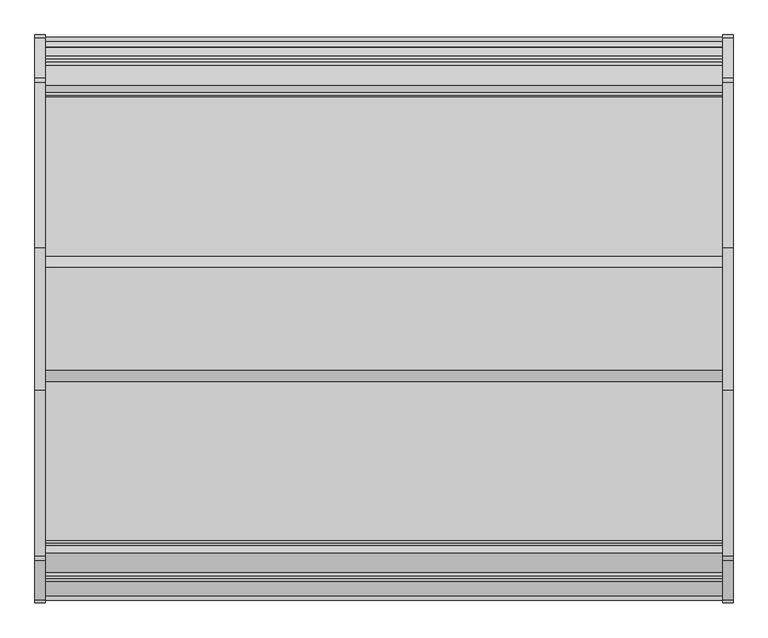
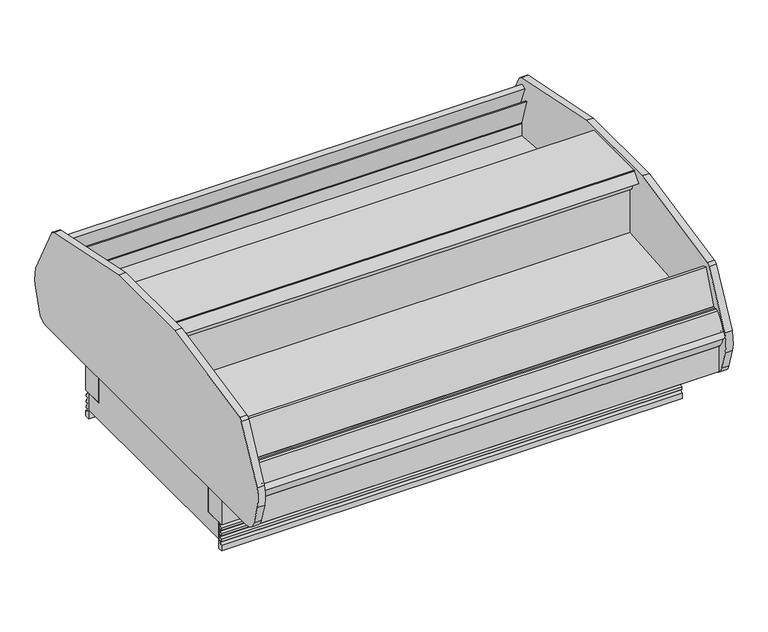
"""IFC4 building model written with IfcOpenShell, lengths in millimetres: proxy geometry."""

from ifc_helpers import new_model, si_unit, point, frame, frame_2d, origin, origin_with_axes, place, context, project, spatial, polyline, circle_curve, trimmed, segment, composite_curve, outline, extrude, source, transform, mapped, element, save
from ifc_brep_helpers import plane_surface, revolved_surface, advanced_brep


def mechanical_equipment_6bf3019b(model_context):
    return source(origin(), model_context, "Body", "SolidModel", [
        extrude(outline(polyline([(1602.1235789, -1515.8196273), (1906.9235789, -1515.8196273), (1906.9235789, -1617.4196273), (1602.1235789, -1617.4196273), (1602.1235789, -1515.8196273)])), frame((0.0, 0.0, 58.3052917), z_axis=(0.0, 0.0, 1.0), x_axis=(1.0, 0.0, 0.0)), (0.0, 0.0, 1.0), 53.975),
        extrude(outline(composite_curve([segment(trimmed(circle_curve(frame_2d((-2276.1892257, 412.2916432)), 76.2037445), [point((-2276.1892257, 336.0878988))], [point((-2349.2015257, 390.4692988))], False, "CARTESIAN"), True, "CONTINUOUS"), segment(polyline([(-2349.2015257, 390.4692988), (-2380.5197257, 495.2524406)]), True, "CONTINUOUS"), segment(trimmed(circle_curve(frame_2d((-2210.2113509, 546.1552065)), 177.752733), [point((-2380.5197257, 495.2524406))], [point((-2377.9400002, 605.0036076))], False, "CARTESIAN"), True, "CONTINUOUS"), segment(polyline([(-2377.9400002, 605.0036076), (-2233.3706355, 888.7369615)]), True, "CONTINUOUS"), segment(trimmed(circle_curve(frame_2d((-2210.7390698, 877.2056028)), 25.4), [point((-2233.3706355, 888.7369615))], [point((-2216.5899367, 901.9225476))], False, "CARTESIAN"), True, "CONTINUOUS"), segment(polyline([(-2216.5899367, 901.9225476), (-1620.0111062, 1025.4446887), (-1107.0438942, 1025.4446887), (-510.4650637, 901.9225476)]), True, "CONTINUOUS"), segment(trimmed(circle_curve(frame_2d((-516.3159306, 877.2056028)), 25.4), [point((-510.4650637, 901.9225476))], [point((-493.6843649, 888.7369615))], False, "CARTESIAN"), True, "CONTINUOUS"), segment(polyline([(-493.6843649, 888.7369615), (-349.1150002, 605.0036076)]), True, "CONTINUOUS"), segment(trimmed(circle_curve(frame_2d((-516.8436494, 546.1552065)), 177.752733), [point((-349.1150002, 605.0036076))], [point((-346.5352747, 495.2524406))], False, "CARTESIAN"), True, "CONTINUOUS"), segment(polyline([(-346.5352747, 495.2524406), (-377.8534747, 390.4692988)]), True, "CONTINUOUS"), segment(trimmed(circle_curve(frame_2d((-450.8657747, 412.2916432)), 76.2037445), [point((-377.8534747, 390.4692988))], [point((-450.8657747, 336.0878988))], False, "CARTESIAN"), True, "CONTINUOUS"), segment(polyline([(-450.8657747, 336.0878988), (-2276.1892257, 336.0878988)]), True, "CONTINUOUS")], self_intersect=False)), frame((2438.4, 0.0, 0.0), z_axis=(1.0, 0.0, 0.0), x_axis=(0.0, 1.0, 0.0)), (0.0, 0.0, 1.0), 38.1),
        extrude(outline(composite_curve([segment(trimmed(circle_curve(frame_2d((-2276.1892257, 412.2916432)), 76.2037445), [point((-2276.1892257, 336.0878988))], [point((-2349.2015257, 390.4692988))], False, "CARTESIAN"), True, "CONTINUOUS"), segment(polyline([(-2349.2015257, 390.4692988), (-2380.5197257, 495.2524406)]), True, "CONTINUOUS"), segment(trimmed(circle_curve(frame_2d((-2210.2113509, 546.1552065)), 177.752733), [point((-2380.5197257, 495.2524406))], [point((-2377.9400002, 605.0036076))], False, "CARTESIAN"), True, "CONTINUOUS"), segment(polyline([(-2377.9400002, 605.0036076), (-2233.3706355, 888.7369615)]), True, "CONTINUOUS"), segment(trimmed(circle_curve(frame_2d((-2210.7390698, 877.2056028)), 25.4), [point((-2233.3706355, 888.7369615))], [point((-2216.5899367, 901.9225476))], False, "CARTESIAN"), True, "CONTINUOUS"), segment(polyline([(-2216.5899367, 901.9225476), (-1620.0111062, 1025.4446887), (-1107.0438942, 1025.4446887), (-510.4650637, 901.9225476)]), True, "CONTINUOUS"), segment(trimmed(circle_curve(frame_2d((-516.3159306, 877.2056028)), 25.4), [point((-510.4650637, 901.9225476))], [point((-493.6843649, 888.7369615))], False, "CARTESIAN"), True, "CONTINUOUS"), segment(polyline([(-493.6843649, 888.7369615), (-349.1150002, 605.0036076)]), True, "CONTINUOUS"), segment(trimmed(circle_curve(frame_2d((-516.8436494, 546.1552065)), 177.752733), [point((-349.1150002, 605.0036076))], [point((-346.5352747, 495.2524406))], False, "CARTESIAN"), True, "CONTINUOUS"), segment(polyline([(-346.5352747, 495.2524406), (-377.8534747, 390.4692988)]), True, "CONTINUOUS"), segment(trimmed(circle_curve(frame_2d((-450.8657747, 412.2916432)), 76.2037445), [point((-377.8534747, 390.4692988))], [point((-450.8657747, 336.0878988))], False, "CARTESIAN"), True, "CONTINUOUS"), segment(polyline([(-450.8657747, 336.0878988), (-2276.1892257, 336.0878988)]), True, "CONTINUOUS")], self_intersect=False)), frame((-38.1, 0.0, 0.0), z_axis=(1.0, 0.0, 0.0), x_axis=(0.0, 1.0, 0.0)), (0.0, 0.0, 1.0), 38.1),
        extrude(outline(composite_curve([segment(trimmed(circle_curve(frame_2d((312.4729347, -837.9571273)), 11.1125), [point((301.3604347, -837.9571273))], [point((323.5854347, -837.9571273))], False, "CARTESIAN"), True, "CONTINUOUS"), segment(trimmed(circle_curve(frame_2d((312.4729347, -837.9571273)), 11.1125), [point((323.5854347, -837.9571273))], [point((301.3604347, -837.9571273))], False, "CARTESIAN"), True, "CONTINUOUS")], self_intersect=False)), origin_with_axes(), (0.0, 0.0, 1.0), 146.05),
        extrude(outline(composite_curve([segment(trimmed(circle_curve(frame_2d((339.3446603, -837.9571273)), 4.7625), [point((334.5821603, -837.9571273))], [point((344.1071603, -837.9571273))], False, "CARTESIAN"), True, "CONTINUOUS"), segment(trimmed(circle_curve(frame_2d((339.3446603, -837.9571273)), 4.7625), [point((344.1071603, -837.9571273))], [point((334.5821603, -837.9571273))], False, "CARTESIAN"), True, "CONTINUOUS")], self_intersect=False)), origin_with_axes(), (0.0, 0.0, 1.0), 146.05),
        extrude(outline(polyline([(-739.722628, 146.05), (-861.4335484, 146.05), (-861.4335484, 374.65), (-757.629628, 374.65), (-757.629628, 354.3983804), (-739.722628, 354.3983804), (-739.722628, 146.05)])), frame((0.0, 0.0, 0.0), z_axis=(1.0, 0.0, 0.0), x_axis=(0.0, 1.0, 0.0)), (0.0, 0.0, 1.0), 2438.4),
        extrude(outline(composite_curve([segment(trimmed(circle_curve(frame_2d((-742.1278958, 42.4953422)), 11.0666223), [point((-753.1044514, 41.0863151))], [point((-741.0741485, 31.4790022))], True, "CARTESIAN"), True, "CONTINUOUS"), segment(polyline([(-741.0741485, 31.4790022), (-741.0741485, 0.0), (-766.7018052, 0.0), (-766.7018052, 146.05), (-756.5935485, 146.05), (-756.5935485, 137.4381186)]), True, "CONTINUOUS"), segment(trimmed(circle_curve(frame_2d((-743.8935485, 137.4381186)), 12.7), [point((-756.5935485, 137.4381186))], [point((-743.9624532, 124.7383055))], True, "CARTESIAN"), True, "CONTINUOUS"), segment(polyline([(-743.9624532, 124.7383055), (-743.9624532, 112.0383055), (-745.9563532, 112.0383055), (-756.5935485, 114.0694894), (-753.1044514, 103.0306813)]), True, "CONTINUOUS"), segment(trimmed(circle_curve(frame_2d((-740.7706142, 106.0582975)), 12.7), [point((-753.1044514, 103.0306813))], [point((-743.9624532, 93.7659355))], True, "CARTESIAN"), True, "CONTINUOUS"), segment(polyline([(-743.9624532, 93.7659355), (-743.9624532, 81.0659355), (-745.9563532, 81.0659355), (-756.5935485, 83.2237583), (-753.1044514, 72.0584982)]), True, "CONTINUOUS"), segment(trimmed(circle_curve(frame_2d((-740.7706142, 75.0861144)), 12.7), [point((-753.1044514, 72.0584982))], [point((-743.9624532, 62.7937524))], True, "CARTESIAN"), True, "CONTINUOUS"), segment(polyline([(-743.9624532, 62.7937524), (-743.9624532, 50.0937524), (-745.9563532, 50.0937524), (-756.5935485, 52.2515752), (-753.1044514, 41.0863151)]), True, "CONTINUOUS")], self_intersect=False)), frame((0.0, 0.0, 0.0), z_axis=(1.0, 0.0, 0.0), x_axis=(0.0, 1.0, 0.0)), (0.0, 0.0, 1.0), 2438.4),
        extrude(outline(polyline([(-1218.9698273, 899.0596126), (-1218.9698273, 1009.3885914), (-1179.2619993, 1009.3885914), (-1138.186305, 963.7694113), (-1177.523334, 963.7694113), (-1200.9983962, 893.0906294), (-1218.9698273, 899.0596126)])), frame((0.0, 0.0, 0.0), z_axis=(1.0, 0.0, 0.0), x_axis=(0.0, 1.0, 0.0)), (0.0, 0.0, 1.0), 2438.4),
        extrude(outline(polyline([(-653.9219725, 374.65), (-824.9422387, 374.65), (-824.9422387, 440.5122096), (-633.6750302, 447.5334174), (-470.9591193, 561.4683528), (-470.9591193, 650.3352408), (-432.6178193, 650.3352408), (-432.6178193, 529.925931), (-653.9219725, 374.65)])), frame((0.0, 0.0, 0.0), z_axis=(1.0, 0.0, 0.0), x_axis=(0.0, 1.0, 0.0)), (0.0, 0.0, 1.0), 2438.4),
        extrude(outline(polyline([(-400.7279842, 359.085718), (-415.4599842, 359.085718), (-415.4599842, 395.026718), (-420.1796936, 421.79352), (-420.1796936, 502.405218), (-400.7279842, 502.405218), (-400.7279842, 359.085718)])), frame((0.0, 0.0, 0.0), z_axis=(1.0, 0.0, 0.0), x_axis=(0.0, 1.0, 0.0)), (0.0, 0.0, 1.0), 2438.4),
        extrude(outline(polyline([(-545.602582, 861.5557008), (-520.5942988, 871.4067245), (-449.5138519, 690.9584783), (-449.5138519, 649.6873876), (-516.6634304, 649.6873876), (-516.0702741, 654.252772), (-562.7519326, 799.3299339), (-556.6970273, 801.2432088), (-510.0153687, 656.1660469), (-509.6755397, 652.4421919), (-485.2560109, 652.4421919), (-466.2867179, 659.9033799), (-545.602582, 861.5557008)])), frame((0.0, 0.0, 0.0), z_axis=(1.0, 0.0, 0.0), x_axis=(0.0, 1.0, 0.0)), (0.0, 0.0, 1.0), 2438.4),
        extrude(outline(composite_curve([segment(trimmed(circle_curve(frame_2d((-366.3246731, 584.7675726)), 17.49504), [point((-365.6059435, 602.247843))], [point((-364.7243169, 567.3458826))], False, "CARTESIAN"), True, "CONTINUOUS"), segment(trimmed(circle_curve(frame_2d((-366.2319692, 584.7699144)), 17.4891366), [point((-364.7243169, 567.3458826))], [point((-365.6059435, 602.247843))], False, "CARTESIAN"), True, "CONTINUOUS")], self_intersect=False)), frame((0.0, 0.0, 0.0), z_axis=(1.0, 0.0, 0.0), x_axis=(0.0, 1.0, 0.0)), (0.0, 0.0, 1.0), 2438.4),
        extrude(outline(composite_curve([segment(trimmed(circle_curve(frame_2d((-398.5689842, 508.755218)), 6.35), [point((-393.8076588, 504.5537563))], [point((-398.5689842, 502.405218))], False, "CARTESIAN"), True, "CONTINUOUS"), segment(polyline([(-398.5689842, 502.405218), (-471.8412073, 502.405218), (-432.6178193, 529.925931), (-432.6178193, 650.3352408), (-449.5138519, 650.3352408), (-449.5138519, 690.9426532), (-435.3989842, 691.305018), (-425.8739842, 691.305018)]), True, "CONTINUOUS"), segment(trimmed(circle_curve(frame_2d((-425.8739842, 675.430018)), 15.875), [point((-425.8739842, 691.305018))], [point((-415.0875615, 687.0777092))], False, "CARTESIAN"), True, "CONTINUOUS"), segment(trimmed(circle_curve(frame_2d((-535.8954959, 556.623568)), 177.7999999), [point((-415.0875615, 687.0777092))], [point((-364.0144137, 602.1178925))], False, "CARTESIAN"), True, "CONTINUOUS"), segment(trimmed(circle_curve(frame_2d((-366.2319692, 584.7699144)), 17.4891366), [point((-364.0144137, 602.1178925))], [point((-363.8047866, 567.4500216))], True, "CARTESIAN"), True, "CONTINUOUS"), segment(trimmed(circle_curve(frame_2d((-489.0341667, 588.5829906)), 127.0), [point((-363.8047866, 567.4500216))], [point((-393.8076588, 504.5537563))], False, "CARTESIAN"), True, "CONTINUOUS")], self_intersect=False)), frame((0.0, 0.0, 0.0), z_axis=(1.0, 0.0, 0.0), x_axis=(0.0, 1.0, 0.0)), (0.0, 0.0, 1.0), 2438.4),
        extrude(outline(polyline([(-471.4114734, 502.405218), (-420.1796936, 502.405218), (-420.1796936, 418.2976265), (-545.36871, 450.5138342), (-471.4114734, 502.405218)])), frame((0.0, 0.0, 0.0), z_axis=(1.0, 0.0, 0.0), x_axis=(0.0, 1.0, 0.0)), (0.0, 0.0, 1.0), 2422.9804393),
        extrude(outline(polyline([(-1218.9698273, 640.7061243), (-516.6791193, 581.214329), (-516.6791193, 649.6873876), (-470.9591193, 649.6873876), (-470.9591193, 561.4683498), (-633.8072483, 447.4408623), (-931.9780348, 436.6485806), (-947.058802, 422.3615379), (-962.1407078, 436.6496591), (-1218.9698273, 449.6617126), (-1218.9698273, 640.7061243)])), frame((0.0, 0.0, 0.0), z_axis=(1.0, 0.0, 0.0), x_axis=(0.0, 1.0, 0.0)), (0.0, 0.0, 1.0), 2438.4),
        extrude(outline(polyline([(-2326.1112704, 359.085718), (-2326.1112704, 502.405218), (-2306.659561, 502.405218), (-2306.659561, 421.79352), (-2311.3792704, 395.026718), (-2311.3792704, 359.085718), (-2326.1112704, 359.085718)])), frame((0.0, 0.0, 0.0), z_axis=(1.0, 0.0, 0.0), x_axis=(0.0, 1.0, 0.0)), (0.0, 0.0, 1.0), 2438.4),
        extrude(outline(composite_curve([segment(trimmed(circle_curve(frame_2d((1219.2, -1363.4196273)), 19.05), [point((1200.15, -1363.4196273))], [point((1238.25, -1363.4196273))], False, "CARTESIAN"), True, "CONTINUOUS"), segment(trimmed(circle_curve(frame_2d((1219.2, -1363.4196273)), 19.05), [point((1238.25, -1363.4196273))], [point((1200.15, -1363.4196273))], False, "CARTESIAN"), True, "CONTINUOUS")], self_intersect=False)), origin_with_axes(), (0.0, 0.0, 1.0), 127.0),
        extrude(outline(polyline([(-1987.1166266, 146.05), (-1987.1166266, 354.3983804), (-1969.2096266, 354.3983804), (-1969.2096266, 374.65), (-1865.4057062, 374.65), (-1865.4057062, 146.05), (-1987.1166266, 146.05)])), frame((0.0, 0.0, 0.0), z_axis=(1.0, 0.0, 0.0), x_axis=(0.0, 1.0, 0.0)), (0.0, 0.0, 1.0), 2438.4),
        advanced_brep(
        [(2438.4, -1507.8694273, 561.4683528), (2438.4, -1507.8694273, 449.6617126), (2438.4, -1764.6985468, 436.6496591), (2438.4, -1779.7804526, 422.3615379), (2438.4, -1794.8612198, 436.6485806), (2438.4, -1901.8970159, 440.5227377), (2438.4, -1901.8970159, 374.65), (2438.4, -1865.4057062, 374.65), (2438.4, -1865.4057062, 146.05), (2438.4, -1960.1374494, 146.05), (2438.4, -1960.1374494, 50.8), (2438.4, -766.7018052, 50.8), (2438.4, -766.7018052, 146.05), (2438.4, -861.4335484, 146.05), (2438.4, -861.4335484, 374.65), (2438.4, -824.9422387, 374.65), (2438.4, -824.9422387, 440.5227377), (2438.4, -931.9780348, 436.6485806), (2438.4, -947.058802, 422.3615379), (2438.4, -962.1407078, 436.6496591), (2438.4, -1218.9698273, 449.6617126), (2438.4, -1218.9698273, 561.4683528), (0.0, -1507.8694273, 561.4683528), (0.0, -1218.9698273, 561.4683528), (0.0, -1218.9698273, 449.6617126), (0.0, -962.1407078, 436.6496591), (0.0, -947.058802, 422.3615379), (0.0, -931.9780348, 436.6485806), (0.0, -824.9422387, 440.5227377), (0.0, -824.9422387, 374.65), (0.0, -861.4335484, 374.65), (0.0, -861.4335484, 146.05), (0.0, -766.7018052, 146.05), (0.0, -766.7018052, 50.8), (0.0, -1960.1374494, 50.8), (0.0, -1960.1374494, 146.05), (0.0, -1865.4057062, 146.05), (0.0, -1865.4057062, 374.65), (0.0, -1901.8970159, 374.65), (0.0, -1901.8970159, 440.5227377), (0.0, -1794.8612198, 436.6485806), (0.0, -1779.7804526, 422.3615379), (0.0, -1764.6985468, 436.6496591), (0.0, -1507.8694273, 449.6617126), (1187.45, -1362.9182706, 127.0), (1250.95, -1362.9182706, 127.0), (1250.95, -1362.9182706, 50.8), (1187.45, -1362.9182706, 50.8), (1551.3235789, -1665.3807062, 112.0383055), (1551.3235789, -1508.4341352, 112.0383055), (1925.9735789, -1508.4341352, 112.0383055), (1925.9735789, -1665.3807062, 112.0383055), (1925.9735789, -1665.3807062, 50.8), (1551.3235789, -1665.3807062, 50.8), (1925.9735789, -1508.4341352, 50.8), (1551.3235789, -1508.4341352, 50.8), (361.7952932, -861.4335484, 146.05), (301.7797068, -861.4335484, 146.05), (369.8875, -837.9571273, 146.05), (369.8875, -837.9571273, 50.8), (293.6875, -837.9571273, 50.8), (293.6875, -837.9571273, 146.05)],
        [
            (0, 1),
            (1, 2),
            (2, 3),
            (3, 4),
            (4, 5),
            (5, 6),
            (6, 7),
            (7, 8),
            (8, 9),
            (9, 10),
            (10, 11),
            (11, 12),
            (12, 13),
            (13, 14),
            (14, 15),
            (15, 16),
            (16, 17),
            (17, 18),
            (18, 19),
            (19, 20),
            (20, 21),
            (21, 0),
            (22, 23),
            (23, 24),
            (24, 25),
            (25, 26),
            (26, 27),
            (27, 28),
            (28, 29),
            (29, 30),
            (30, 31),
            (31, 32),
            (32, 33),
            (33, 34),
            (34, 35),
            (35, 36),
            (36, 37),
            (37, 38),
            (38, 39),
            (39, 40),
            (40, 41),
            (41, 42),
            (42, 43),
            (43, 22),
            (21, 23),
            (22, 0),
            (43, 1),
            (7, 37),
            (36, 8),
            (6, 38),
            (44, 45, circle_curve(frame((1219.2, -1362.9182706, 127.0), z_axis=(0.0, 0.0, -1.0), x_axis=(1.0, 0.0, 0.0)), 31.75)),
            (45, 44, circle_curve(frame((1219.2, -1362.9182706, 127.0), z_axis=(0.0, 0.0, -1.0), x_axis=(1.0, 0.0, 0.0)), 31.75)),
            (45, 46),
            (46, 47, circle_curve(frame((1219.2, -1362.9182706, 50.8), z_axis=(0.0, 0.0, -1.0), x_axis=(1.0, 0.0, 0.0)), 31.75)),
            (47, 44),
            (47, 46, circle_curve(frame((1219.2, -1362.9182706, 50.8), z_axis=(0.0, 0.0, -1.0), x_axis=(1.0, 0.0, 0.0)), 31.75)),
            (48, 49),
            (49, 50),
            (50, 51),
            (51, 48),
            (51, 52),
            (52, 53),
            (53, 48),
            (50, 54),
            (54, 52),
            (49, 55),
            (55, 54),
            (53, 55),
            (42, 2),
            (5, 39),
            (41, 3),
            (40, 4),
            (13, 56),
            (56, 57),
            (57, 31),
            (30, 14),
            (29, 15),
            (28, 16),
            (27, 17),
            (26, 18),
            (25, 19),
            (24, 20),
            (56, 57, circle_curve(frame((331.7875, -837.9571273, 146.05), z_axis=(0.0, 0.0, -1.0), x_axis=(1.0, 0.0, 0.0)), 38.1)),
            (56, 58, circle_curve(frame((331.7875, -837.9571273, 146.05), z_axis=(0.0, 0.0, 1.0), x_axis=(1.0, 0.0, 0.0)), 38.1)),
            (58, 59),
            (59, 60, circle_curve(frame((331.7875, -837.9571273, 50.8), z_axis=(0.0, 0.0, -1.0), x_axis=(1.0, 0.0, 0.0)), 38.1)),
            (60, 61),
            (61, 57, circle_curve(frame((331.7875, -837.9571273, 146.05), z_axis=(0.0, 0.0, 1.0), x_axis=(1.0, 0.0, 0.0)), 38.1)),
            (60, 59, circle_curve(frame((331.7875, -837.9571273, 50.8), z_axis=(0.0, 0.0, -1.0), x_axis=(1.0, 0.0, 0.0)), 38.1)),
            (58, 61, circle_curve(frame((331.7875, -837.9571273, 146.05), z_axis=(0.0, 0.0, 1.0), x_axis=(1.0, 0.0, 0.0)), 38.1)),
            (35, 9),
            (34, 10),
            (33, 11),
            (32, 12),
        ],
        [
            plane_surface(frame((2438.4, -1507.8694273, 561.4683528), z_axis=(1.0, 0.0, 0.0), x_axis=(0.0, 0.0, -1.0))),
            plane_surface(frame((0.0, -1507.8694273, 561.4683528), z_axis=(-1.0, 0.0, 0.0), x_axis=(0.0, 0.0, 1.0))),
            plane_surface(frame((2438.4, -1218.9698273, 561.4683528), z_axis=(0.0, 0.0, 1.0), x_axis=(-1.0, 0.0, 0.0))),
            plane_surface(frame((2438.4, -1507.8694273, 561.4683528), z_axis=(0.0, -1.0, 0.0), x_axis=(-1.0, 0.0, 0.0))),
            plane_surface(frame((2438.4, -1865.4057062, 374.65), z_axis=(0.0, -1.0, 0.0), x_axis=(-1.0, 0.0, 0.0))),
            plane_surface(frame((2438.4, -1901.8970159, 374.65), z_axis=(0.0, 0.0, -1.0), x_axis=(-1.0, 0.0, 0.0))),
            plane_surface(frame((1250.95, -1362.9182706, 127.0), z_axis=(0.0, 0.0, -1.0), x_axis=(0.0, 1.0, 0.0))),
            revolved_surface(polyline([(1250.95, -1362.9182706, 127.0), (1250.95, -1362.9182706, 50.8)]), (1219.2, -1362.9182706, 0.0), (0.0, 0.0, 1.0)),
            plane_surface(frame((1925.9735789, -1665.3807062, 112.0383055), z_axis=(0.0, 0.0, -1.0), x_axis=(1.0, 0.0, 0.0))),
            plane_surface(frame((1551.3235789, -1665.3807062, 112.0383055), z_axis=(0.0, 1.0, 0.0), x_axis=(0.0, 0.0, -1.0))),
            plane_surface(frame((1925.9735789, -1665.3807062, 112.0383055), z_axis=(-1.0, 0.0, 0.0), x_axis=(0.0, 0.0, -1.0))),
            plane_surface(frame((1925.9735789, -1508.4341352, 112.0383055), z_axis=(0.0, -1.0, 0.0), x_axis=(0.0, 0.0, -1.0))),
            plane_surface(frame((1551.3235789, -1508.4341352, 112.0383055), z_axis=(1.0, 0.0, 0.0), x_axis=(0.0, 0.0, -1.0))),
            plane_surface(frame((2438.4, -1507.8694273, 449.6617126), z_axis=(0.0, -0.05059934604185467, 0.9987190326513943), x_axis=(-1.0, 0.0, 0.0))),
            plane_surface(frame((2438.4, -1901.8970159, 440.5227377), z_axis=(0.0, -1.0, 0.0), x_axis=(-1.0, 0.0, 0.0))),
            plane_surface(frame((2438.4, -1764.6985468, 436.6496591), z_axis=(0.0, -0.6877446479107795, 0.72595268390583), x_axis=(-1.0, 0.0, 0.0))),
            plane_surface(frame((2438.4, -1779.7804526, 422.3615379), z_axis=(0.0, 0.6877446479107768, 0.7259526839058327), x_axis=(-1.0, 0.0, 0.0))),
            plane_surface(frame((2438.4, -1794.8612198, 436.6485806), z_axis=(0.0, 0.036171280996502485, 0.9993456050991929), x_axis=(-1.0, 0.0, 0.0))),
            plane_surface(frame((2438.4, -861.4335484, 146.05), z_axis=(0.0, 1.0, 0.0), x_axis=(-1.0, 0.0, 0.0))),
            plane_surface(frame((2438.4, -861.4335484, 374.65), z_axis=(0.0, 0.0, -1.0), x_axis=(-1.0, 0.0, 0.0))),
            plane_surface(frame((2438.4, -824.9422387, 374.65), z_axis=(0.0, 1.0, 0.0), x_axis=(-1.0, 0.0, 0.0))),
            plane_surface(frame((2438.4, -824.9422387, 440.5227377), z_axis=(0.0, -0.03617128099650132, 0.999345605099193), x_axis=(-1.0, 0.0, 0.0))),
            plane_surface(frame((2438.4, -931.9780348, 436.6485806), z_axis=(0.0, -0.687744647910777, 0.7259526839058325), x_axis=(-1.0, 0.0, 0.0))),
            plane_surface(frame((2438.4, -947.058802, 422.3615379), z_axis=(0.0, 0.6877446479107832, 0.7259526839058267), x_axis=(-1.0, 0.0, 0.0))),
            plane_surface(frame((2438.4, -962.1407078, 436.6496591), z_axis=(0.0, 0.05059934604185552, 0.9987190326513942), x_axis=(-1.0, 0.0, 0.0))),
            plane_surface(frame((2438.4, -1218.9698273, 449.6617126), z_axis=(0.0, 1.0, 0.0), x_axis=(-1.0, 0.0, 0.0))),
            plane_surface(frame((369.8875, -837.9571273, 146.05), z_axis=(0.0, 0.0, -1.0), x_axis=(0.0, 1.0, 0.0))),
            revolved_surface(polyline([(369.88750000000005, -837.9571273, 146.05), (369.88750000000005, -837.9571273, 50.8)]), (331.7875, -837.9571273, 0.0), (0.0, 0.0, 1.0)),
            plane_surface(frame((2438.4, -1865.4057062, 146.05), z_axis=(0.0, 0.0, 1.0), x_axis=(-1.0, 0.0, 0.0))),
            plane_surface(frame((2438.4, -1960.1374494, 146.05), z_axis=(0.0, -1.0, 0.0), x_axis=(-1.0, 0.0, 0.0))),
            plane_surface(frame((2438.4, -1960.1374494, 50.8), z_axis=(0.0, 0.0, -1.0), x_axis=(-1.0, 0.0, 0.0))),
            plane_surface(frame((2438.4, -766.7018052, 50.8), z_axis=(0.0, 1.0, 0.0), x_axis=(-1.0, 0.0, 0.0))),
            plane_surface(frame((2438.4, -766.7018052, 146.05), z_axis=(0.0, 0.0, 1.0), x_axis=(-1.0, 0.0, 0.0))),
        ],
        [
            (0, [[1, 2, 3, 4, 5, 6, 7, 8, 9, 10, 11, 12, 13, 14, 15, 16, 17, 18, 19, 20, 21, 22]]),
            (1, [[23, 24, 25, 26, 27, 28, 29, 30, 31, 32, 33, 34, 35, 36, 37, 38, 39, 40, 41, 42, 43, 44]]),
            (2, [[-22, 45, -23, 46]]),
            (3, [[-1, -46, -44, 47]]),
            (4, [[-8, 48, -37, 49]]),
            (5, [[-7, 50, -38, -48]]),
            (6, [[51, 52]]),
            (7, [[-52, 53, 54, 55]]),
            (7, [[-51, -55, 56, -53]]),
            (8, [[57, 58, 59, 60]]),
            (9, [[-60, 61, 62, 63]]),
            (10, [[-59, 64, 65, -61]]),
            (11, [[-58, 66, 67, -64]]),
            (12, [[-57, -63, 68, -66]]),
            (13, [[-2, -47, -43, 69]]),
            (14, [[-6, 70, -39, -50]]),
            (15, [[-3, -69, -42, 71]]),
            (16, [[-4, -71, -41, 72]]),
            (17, [[-5, -72, -40, -70]]),
            (18, [[-14, 73, 74, 75, -31, 76]]),
            (19, [[-15, -76, -30, 77]]),
            (20, [[-16, -77, -29, 78]]),
            (21, [[-17, -78, -28, 79]]),
            (22, [[-18, -79, -27, 80]]),
            (23, [[-19, -80, -26, 81]]),
            (24, [[-20, -81, -25, 82]]),
            (25, [[-21, -82, -24, -45]]),
            (26, [[83, -74]]),
            (27, [[-83, 84, 85, 86, 87, 88]]),
            (27, [[-87, 89, -85, 90]]),
            (28, [[-9, -49, -36, 91]]),
            (29, [[-10, -91, -35, 92]]),
            (30, [[-11, -92, -34, 93], [-54, -56], [-62, -65, -67, -68], [-86, -89]]),
            (31, [[-12, -93, -33, 94]]),
            (32, [[-13, -94, -32, -75, -88, -90, -84, -73]]),
        ],
    ),
        extrude(outline(composite_curve([segment(polyline([(-1973.7348032, 41.0863151), (-1970.2457061, 52.2515752), (-1980.8829014, 50.0937524), (-1982.8768014, 50.0937524), (-1982.8768014, 62.7937524)]), True, "CONTINUOUS"), segment(trimmed(circle_curve(frame_2d((-1986.0686404, 75.0861144)), 12.7), [point((-1982.8768014, 62.7937524))], [point((-1973.7348032, 72.0584982))], True, "CARTESIAN"), True, "CONTINUOUS"), segment(polyline([(-1973.7348032, 72.0584982), (-1970.2457061, 83.2237583), (-1980.8829014, 81.0659355), (-1982.8768014, 81.0659355), (-1982.8768014, 93.7659355)]), True, "CONTINUOUS"), segment(trimmed(circle_curve(frame_2d((-1986.0686404, 106.0582975)), 12.7), [point((-1982.8768014, 93.7659355))], [point((-1973.7348032, 103.0306813))], True, "CARTESIAN"), True, "CONTINUOUS"), segment(polyline([(-1973.7348032, 103.0306813), (-1970.2457061, 114.0694894), (-1980.8829014, 112.0383055), (-1982.8768014, 112.0383055), (-1982.8768014, 124.7383055)]), True, "CONTINUOUS"), segment(trimmed(circle_curve(frame_2d((-1982.9457061, 137.4381186)), 12.7), [point((-1982.8768014, 124.7383055))], [point((-1970.2457061, 137.4381186))], True, "CARTESIAN"), True, "CONTINUOUS"), segment(polyline([(-1970.2457061, 137.4381186), (-1970.2457061, 146.05), (-1960.1374494, 146.05), (-1960.1374494, 0.0), (-1985.7651061, 0.0), (-1985.7651061, 31.4790022)]), True, "CONTINUOUS"), segment(trimmed(circle_curve(frame_2d((-1984.7113588, 42.4953422)), 11.0666223), [point((-1985.7651061, 31.4790022))], [point((-1973.7348032, 41.0863151))], True, "CARTESIAN"), True, "CONTINUOUS")], self_intersect=False)), frame((0.0, 0.0, 0.0), z_axis=(1.0, 0.0, 0.0), x_axis=(0.0, 1.0, 0.0)), (0.0, 0.0, 1.0), 2438.4),
        extrude(outline(polyline([(-2181.2366726, 861.5557008), (-2260.5525367, 659.9033799), (-2241.5832437, 652.4421919), (-2217.1637149, 652.4421919), (-2216.8238859, 656.1660469), (-2170.1422273, 801.2432088), (-2164.087322, 799.3299339), (-2210.7689805, 654.252772), (-2210.1758242, 649.6873876), (-2277.3254027, 649.6873876), (-2277.3254027, 690.9584783), (-2206.2449558, 871.4067245), (-2181.2366726, 861.5557008)])), frame((0.0, 0.0, 0.0), z_axis=(1.0, 0.0, 0.0), x_axis=(0.0, 1.0, 0.0)), (0.0, 0.0, 1.0), 2438.4),
        extrude(outline(polyline([(2438.4, -1547.2989834), (0.0, -1547.2989834), (0.0, -1178.6972914), (2438.4, -1178.6972914), (2438.4, -1547.2989834)])), frame((0.0, 0.0, 1009.3885914), z_axis=(0.0, 0.0, 1.0), x_axis=(1.0, 0.0, 0.0)), (0.0, 0.0, 1.0), 3.1453162),
        extrude(outline(polyline([(2438.4, -1218.9698273), (2438.4, -1507.8694273), (0.0, -1507.8694273), (0.0, -1218.9698273), (2438.4, -1218.9698273)])), frame((0.0, 0.0, 561.4683528), z_axis=(0.0, 0.0, 1.0), x_axis=(1.0, 0.0, 0.0)), (0.0, 0.0, 1.0), 447.9202386),
        extrude(outline(polyline([(-1507.8694273, 899.0596126), (-1525.8408584, 893.0906294), (-1549.3159206, 963.7694113), (-1588.6529496, 963.7694113), (-1547.5772553, 1009.3885914), (-1507.8694273, 1009.3885914), (-1507.8694273, 899.0596126)])), frame((0.0, 0.0, 0.0), z_axis=(1.0, 0.0, 0.0), x_axis=(0.0, 1.0, 0.0)), (0.0, 0.0, 1.0), 2438.4),
        extrude(outline(polyline([(-1507.8694273, 640.7061243), (-1507.8694273, 449.6617126), (-1764.6985468, 436.6496591), (-1779.7804526, 422.3615379), (-1794.8612198, 436.6485806), (-2093.0320063, 447.4408623), (-2255.8801353, 561.4683498), (-2255.8801353, 649.6873876), (-2210.1601353, 649.6873876), (-2210.1601353, 581.214329), (-1507.8694273, 640.7061243)])), frame((0.0, 0.0, 0.0), z_axis=(1.0, 0.0, 0.0), x_axis=(0.0, 1.0, 0.0)), (0.0, 0.0, 1.0), 2438.4),
        extrude(outline(composite_curve([segment(trimmed(circle_curve(frame_2d((-2360.6072854, 584.7699144)), 17.4891366), [point((-2361.2333111, 602.247843))], [point((-2362.1149377, 567.3458826))], False, "CARTESIAN"), True, "CONTINUOUS"), segment(trimmed(circle_curve(frame_2d((-2360.5145815, 584.7675726)), 17.49504), [point((-2362.1149377, 567.3458826))], [point((-2361.2333111, 602.247843))], False, "CARTESIAN"), True, "CONTINUOUS")], self_intersect=False)), frame((0.0, 0.0, 0.0), z_axis=(1.0, 0.0, 0.0), x_axis=(0.0, 1.0, 0.0)), (0.0, 0.0, 1.0), 2438.4),
        extrude(outline(composite_curve([segment(trimmed(circle_curve(frame_2d((-2237.8050879, 588.5829906)), 127.0), [point((-2333.0315958, 504.5537563))], [point((-2363.034468, 567.4500216))], False, "CARTESIAN"), True, "CONTINUOUS"), segment(trimmed(circle_curve(frame_2d((-2360.6072854, 584.7699144)), 17.4891366), [point((-2363.034468, 567.4500216))], [point((-2362.8248409, 602.1178925))], True, "CARTESIAN"), True, "CONTINUOUS"), segment(trimmed(circle_curve(frame_2d((-2190.9437587, 556.623568)), 177.7999999), [point((-2362.8248409, 602.1178925))], [point((-2311.7516931, 687.0777092))], False, "CARTESIAN"), True, "CONTINUOUS"), segment(trimmed(circle_curve(frame_2d((-2300.9652704, 675.430018)), 15.875), [point((-2311.7516931, 687.0777092))], [point((-2300.9652704, 691.305018))], False, "CARTESIAN"), True, "CONTINUOUS"), segment(polyline([(-2300.9652704, 691.305018), (-2291.4402704, 691.305018), (-2277.3254027, 690.9426532), (-2277.3254027, 650.3352408), (-2294.2214353, 650.3352408), (-2294.2214353, 529.925931), (-2254.9980473, 502.405218), (-2328.2702704, 502.405218)]), True, "CONTINUOUS"), segment(trimmed(circle_curve(frame_2d((-2328.2702704, 508.755218)), 6.35), [point((-2328.2702704, 502.405218))], [point((-2333.0315958, 504.5537563))], False, "CARTESIAN"), True, "CONTINUOUS")], self_intersect=False)), frame((0.0, 0.0, 0.0), z_axis=(1.0, 0.0, 0.0), x_axis=(0.0, 1.0, 0.0)), (0.0, 0.0, 1.0), 2438.4),
        extrude(outline(polyline([(-2255.4277812, 502.405218), (-2181.4705446, 450.5138342), (-2306.659561, 418.2976265), (-2306.659561, 502.405218), (-2255.4277812, 502.405218)])), frame((0.0, 0.0, 0.0), z_axis=(1.0, 0.0, 0.0), x_axis=(0.0, 1.0, 0.0)), (0.0, 0.0, 1.0), 2422.9804393),
        extrude(outline(polyline([(-2072.917282, 374.65), (-2294.2214353, 529.925931), (-2294.2214353, 650.3352408), (-2255.8801353, 650.3352408), (-2255.8801353, 561.4683528), (-2093.1642244, 447.5334174), (-1901.8970159, 440.5122096), (-1901.8970159, 374.65), (-2072.917282, 374.65)])), frame((0.0, 0.0, 0.0), z_axis=(1.0, 0.0, 0.0), x_axis=(0.0, 1.0, 0.0)), (0.0, 0.0, 1.0), 2438.4),
    ])


if __name__ == "__main__":
    model = new_model("IFC4")
    model_context = context("Model", 3, world=origin())
    ifc_project = project(units=[si_unit("LENGTHUNIT", "METRE", prefix="MILLI")], contexts=[model_context])
    site = spatial("IfcSite", under=ifc_project)
    building = spatial("IfcBuilding", under=site)
    placement = place(None, origin())
    mechanical_equipment_shape = mechanical_equipment_6bf3019b(model_context)
    element("IfcBuildingElementProxy", 1, Name="Mechanical Equipment", at=placement, inside=building, context=model_context, shape_type="MappedRepresentation", body=[
        mapped(mechanical_equipment_shape, transform((0.0, 0.0, 0.0), x_axis=(1.0, 0.0, 0.0), y_axis=(0.0, 1.0, 0.0), z_axis=(0.0, 0.0, 1.0))),
    ])
    save(model, "model.ifc")
